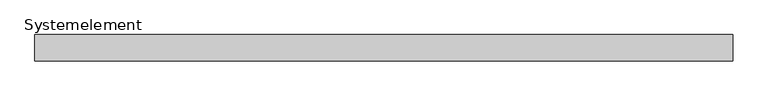
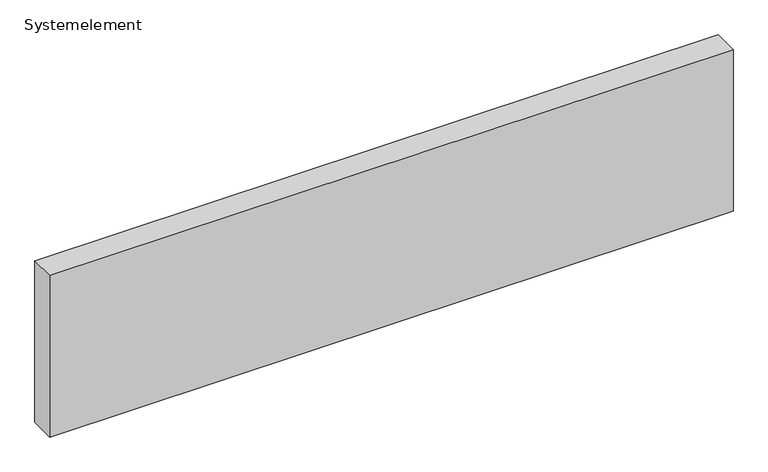
"""IFC4 building model written with IfcOpenShell, lengths in millimetres: plate geometry, Systemelement."""

from ifc_helpers import new_model, si_unit, origin, origin_with_axes, place, context, project, spatial, polyline, outline, extrude, source, transform, mapped, element, save


def systemelement_a7ae1191(model_context):
    return source(origin(), model_context, "Body", "SweptSolid", [
        extrude(outline(polyline([(2000.0, -150.0), (-2000.0, -150.0), (-2000.0, 0.0), (2000.0, 0.0), (2000.0, -150.0)])), origin_with_axes(), (0.0, 0.0, 1.0), 1000.0),
    ])


if __name__ == "__main__":
    model = new_model("IFC4")
    model_context = context("Model", 3, world=origin())
    ifc_project = project(units=[si_unit("LENGTHUNIT", "METRE", prefix="MILLI")], contexts=[model_context])
    site = spatial("IfcSite", under=ifc_project)
    building = spatial("IfcBuilding", under=site)
    placement = place(None, origin())
    systemelement_shape = systemelement_a7ae1191(model_context)
    element("IfcPlate", 1, ObjectType="Systemelement", at=placement, inside=building, context=model_context, shape_type="MappedRepresentation", body=[
        mapped(systemelement_shape, transform((0.0, 0.0, 0.0), x_axis=(1.0, 0.0, 0.0), y_axis=(0.0, 1.0, 0.0), z_axis=(0.0, 0.0, 1.0))),
    ])
    save(model, "model.ifc")
